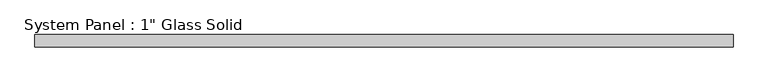
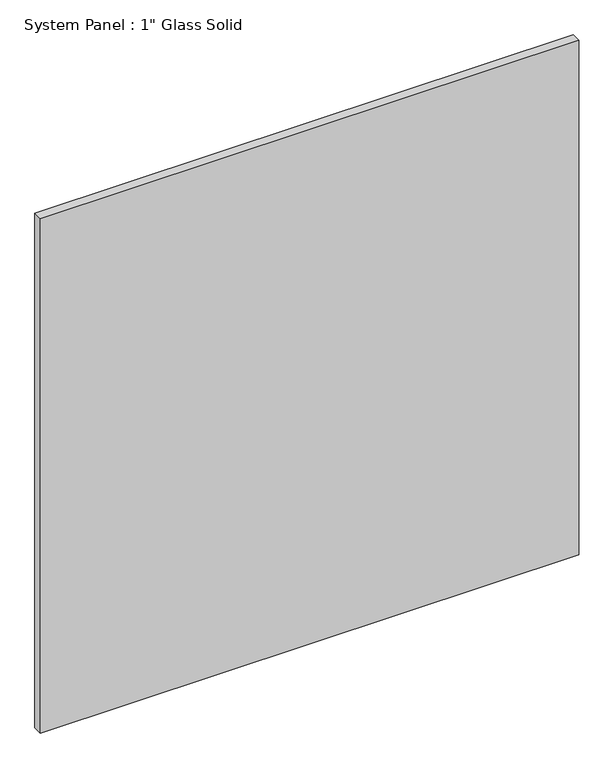
"""IFC4 building model written with IfcOpenShell, lengths in millimetres: plate geometry."""

from ifc_helpers import new_model, si_unit, origin, origin_with_axes, place, context, project, spatial, polyline, outline, extrude, source, transform, mapped, element, save


def plate_2a08a062(model_context):
    return source(origin(), model_context, "Body", "SweptSolid", [
        extrude(outline(polyline([(706.4889199, -12.7), (-706.4889199, -12.7), (-706.4889199, 12.7), (706.4889199, 12.7), (706.4889199, -12.7)])), origin_with_axes(), (0.0, 0.0, 1.0), 1427.4817704),
    ])


if __name__ == "__main__":
    model = new_model("IFC4")
    model_context = context("Model", 3, world=origin())
    ifc_project = project(units=[si_unit("LENGTHUNIT", "METRE", prefix="MILLI")], contexts=[model_context])
    site = spatial("IfcSite", under=ifc_project)
    building = spatial("IfcBuilding", under=site)
    placement = place(None, origin())
    plate_shape = plate_2a08a062(model_context)
    element("IfcPlate", 1, ObjectType="System Panel : 1\" Glass Solid", at=placement, inside=building, context=model_context, shape_type="MappedRepresentation", body=[
        mapped(plate_shape, transform((0.0, 0.0, 0.0), x_axis=(1.0, 0.0, 0.0), y_axis=(0.0, 1.0, 0.0), z_axis=(0.0, 0.0, 1.0))),
    ])
    save(model, "model.ifc")
